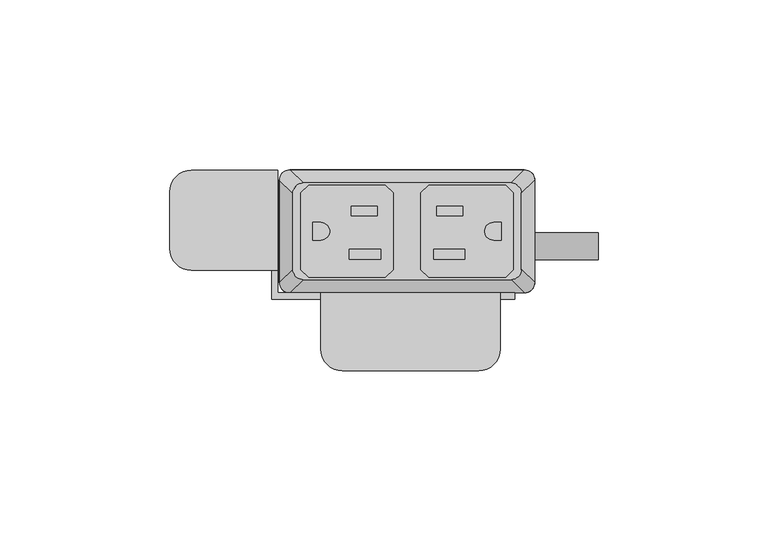
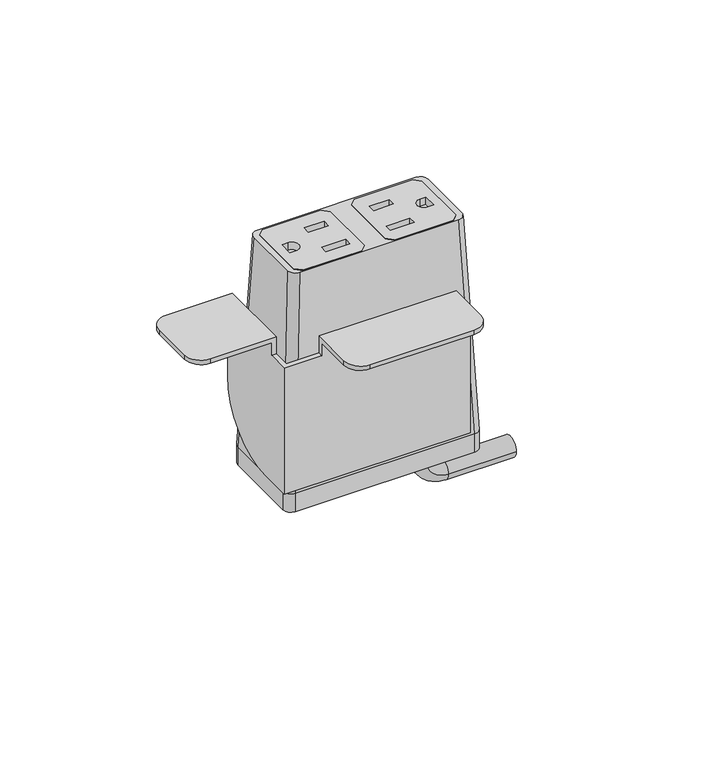
"""IFC4 building model written with IfcOpenShell, lengths in millimetres: furniture geometry."""

from ifc_helpers import new_model, si_unit, point, frame, frame_2d, origin, place, context, project, spatial, polyline, circle_curve, ellipse_curve, trimmed, segment, composite_curve, outline, extrude, source, transform, mapped, element, save
from ifc_brep_helpers import plane_surface, cylinder_surface, revolved_surface, extruded_surface, advanced_brep


def furniture_fb76f5cc(model_context):
    return source(origin(), model_context, "Body", "SolidModel", [
        extrude(outline(polyline([(28.9877496, 31.6867491), (31.2737497, 29.400774), (31.2737497, 6.7950272), (28.9877496, 4.5090526), (6.3817502, 4.5090526), (4.0957501, 6.7950272), (4.0957501, 29.400774), (6.3817502, 31.6867491), (28.9877496, 31.6867491)]), holes=[polyline([(16.3893498, 25.5262103), (8.71855, 25.5262103), (8.71855, 22.6814439), (16.3893498, 22.6814439), (16.3893498, 25.5262103)]), polyline([(17.0497496, 12.7755533), (7.8041498, 12.7755533), (7.8041498, 9.9307858), (17.0497496, 9.9307858), (17.0497496, 12.7755533)]), composite_curve([segment(polyline([(27.7177508, 20.7140722), (25.4427305, 20.7140722)]), True, "CONTINUOUS"), segment(trimmed(circle_curve(frame_2d((25.4427305, 18.0979012)), 2.616171), [point((25.4427305, 20.7140722))], [point((25.4427305, 15.4817301))], True, "CARTESIAN"), True, "CONTINUOUS"), segment(polyline([(25.4427305, 15.4817301), (27.7177508, 15.4817301), (27.7177508, 20.7140722)]), True, "CONTINUOUS")], self_intersect=False)]), frame((0.0, 0.0, 760.5987365), z_axis=(0.0, 0.0, 1.0), x_axis=(1.0, 0.0, 0.0)), (0.0, 0.0, 1.0), 2.9555086),
        extrude(outline(polyline([(-28.9877496, 31.6867491), (-6.3817502, 31.6867491), (-4.0957501, 29.400774), (-4.0957501, 6.7950272), (-6.3817502, 4.5090526), (-28.9877496, 4.5090526), (-31.2737497, 6.7950272), (-31.2737497, 29.400774), (-28.9877496, 31.6867491)]), holes=[polyline([(-16.3893498, 25.5262103), (-16.3893498, 22.6814439), (-8.71855, 22.6814439), (-8.71855, 25.5262103), (-16.3893498, 25.5262103)]), polyline([(-17.0497496, 12.7755533), (-17.0497496, 9.9307858), (-7.8041498, 9.9307858), (-7.8041498, 12.7755533), (-17.0497496, 12.7755533)]), composite_curve([segment(polyline([(-27.7177508, 20.7140722), (-27.7177508, 15.4817301), (-25.4427305, 15.4817301)]), True, "CONTINUOUS"), segment(trimmed(circle_curve(frame_2d((-25.4427305, 18.0979012)), 2.616171), [point((-25.4427305, 15.4817301))], [point((-25.4427305, 20.7140722))], True, "CARTESIAN"), True, "CONTINUOUS"), segment(polyline([(-25.4427305, 20.7140722), (-27.7177508, 20.7140722)]), True, "CONTINUOUS")], self_intersect=False)]), frame((0.0, 0.0, 760.5987365), z_axis=(0.0, 0.0, 1.0), x_axis=(1.0, 0.0, 0.0)), (0.0, 0.0, 1.0), 2.9555086),
        advanced_brep(
        [(-30.6070003, 32.3219007, 763.5410623), (-33.6549997, 29.2739013, 763.5410623), (-33.6549997, 6.9219002, 763.5410623), (-30.6070003, 3.8739008, 763.5410623), (30.6070003, 3.8739008, 763.5410623), (33.6549997, 6.9219002, 763.5410623), (33.6549997, 29.2739013, 763.5410623), (30.6070003, 32.3219007, 763.5410623), (4.0957501, 29.400774, 763.5410623), (6.3817502, 31.6867491, 763.5410623), (28.9877496, 31.6867491, 763.5410623), (31.2737497, 29.400774, 763.5410623), (31.2737497, 6.7950272, 763.5410623), (28.9877496, 4.5090526, 763.5410623), (6.3817502, 4.5090526, 763.5410623), (4.0957501, 6.7950272, 763.5410623), (-4.0957501, 29.400774, 763.5410623), (-4.0957501, 6.7950272, 763.5410623), (-6.3817502, 4.5090526, 763.5410623), (-28.9877496, 4.5090526, 763.5410623), (-31.2737497, 6.7950272, 763.5410623), (-31.2737497, 29.400774, 763.5410623), (-28.9877496, 31.6867491, 763.5410623), (-6.3817502, 31.6867491, 763.5410623), (-34.5440011, 36.1954015, 677.1942434), (34.5440011, 36.1954015, 677.1942434), (37.5920005, 33.1474021, 677.1942434), (37.5920005, 3.0484002, 677.1942434), (34.5440011, 0.0004009, 677.1942434), (-34.5440011, 0.0004009, 677.1942434), (-37.5920005, 3.0484002, 677.1942434), (-37.5920005, 33.1474021, 677.1942434), (4.0957501, 29.400774, 756.3991211), (4.0957501, 6.7950272, 756.3991211), (6.3817502, 4.5090526, 756.3991211), (28.9877496, 4.5090526, 756.3991211), (31.2737497, 6.7950272, 756.3991211), (31.2737497, 29.400774, 756.3991211), (28.9877496, 31.6867491, 756.3991211), (6.3817502, 31.6867491, 756.3991211), (-4.0957501, 29.400774, 756.3991211), (-6.3817502, 31.6867491, 756.3991211), (-28.9877496, 31.6867491, 756.3991211), (-31.2737497, 29.400774, 756.3991211), (-31.2737497, 6.7950272, 756.3991211), (-28.9877496, 4.5090526, 756.3991211), (-6.3817502, 4.5090526, 756.3991211), (-4.0957501, 6.7950272, 756.3991211)],
        [
            (0, 1, circle_curve(frame((-30.6070003, 29.2739013, 763.5410623), z_axis=(0.0, 0.0, 1.0), x_axis=(-1.0, 0.0, 0.0)), 3.0479994)),
            (1, 2),
            (2, 3, circle_curve(frame((-30.6070003, 6.9219002, 763.5410623), z_axis=(0.0, 0.0, 1.0), x_axis=(-1.0, 0.0, 0.0)), 3.0479994)),
            (3, 4),
            (4, 5, circle_curve(frame((30.6070003, 6.9219002, 763.5410623), z_axis=(0.0, 0.0, 1.0), x_axis=(-1.0, 0.0, 0.0)), 3.0479994)),
            (5, 6),
            (6, 7, circle_curve(frame((30.6070003, 29.2739013, 763.5410623), z_axis=(0.0, 0.0, 1.0), x_axis=(-1.0, 0.0, 0.0)), 3.0479994)),
            (7, 0),
            (8, 9),
            (9, 10),
            (10, 11),
            (11, 12),
            (12, 13),
            (13, 14),
            (14, 15),
            (15, 8),
            (16, 17),
            (17, 18),
            (18, 19),
            (19, 20),
            (20, 21),
            (21, 22),
            (22, 23),
            (23, 16),
            (24, 25),
            (25, 26, circle_curve(frame((34.5440011, 33.1474021, 677.1942434), z_axis=(0.0, 0.0, -1.0), x_axis=(-1.0, 0.0, 0.0)), 3.0479994)),
            (26, 27),
            (27, 28, circle_curve(frame((34.5440011, 3.0484002, 677.1942434), z_axis=(0.0, 0.0, -1.0), x_axis=(-1.0, 0.0, 0.0)), 3.0479994)),
            (28, 29),
            (29, 30, circle_curve(frame((-34.5440011, 3.0484002, 677.1942434), z_axis=(0.0, 0.0, -1.0), x_axis=(-1.0, 0.0, 0.0)), 3.0479994)),
            (30, 31),
            (31, 24, circle_curve(frame((-34.5440011, 33.1474021, 677.1942434), z_axis=(0.0, 0.0, -1.0), x_axis=(-1.0, 0.0, 0.0)), 3.0479994)),
            (0, 24),
            (31, 1),
            (30, 2),
            (29, 3),
            (28, 4),
            (27, 5),
            (26, 6),
            (25, 7),
            (32, 33),
            (33, 34),
            (34, 35),
            (35, 36),
            (36, 37),
            (37, 38),
            (38, 39),
            (39, 32),
            (40, 41),
            (41, 42),
            (42, 43),
            (43, 44),
            (44, 45),
            (45, 46),
            (46, 47),
            (47, 40),
            (39, 9),
            (8, 32),
            (38, 10),
            (37, 11),
            (36, 12),
            (35, 13),
            (34, 14),
            (33, 15),
            (47, 17),
            (16, 40),
            (46, 18),
            (45, 19),
            (44, 20),
            (43, 21),
            (42, 22),
            (41, 23),
        ],
        [
            plane_surface(frame((0.0, 18.0979007, 763.5410623), z_axis=(0.0, 0.0, 1.0), x_axis=(-1.0, 0.0, 0.0))),
            plane_surface(frame((0.0, 18.0979012, 677.1942434), z_axis=(0.0, 0.0, -1.0), x_axis=(-1.0, 0.0, 0.0))),
            extruded_surface(trimmed(circle_curve(frame((-34.5440011, 33.1474021, 677.1942434), z_axis=(0.0, 0.0, 1.0), x_axis=(-1.0, 0.0, 0.0)), 3.0479994), [point((-34.5440011, 36.1954015, 677.1942434))], [point((-37.5920005, 33.1474021, 677.1942434))], True, "CARTESIAN"), (3.9370008000000034, -3.873500800000002, 86.34681890000002), 86.52327500676452),
            plane_surface(frame((-37.5920005, 18.0979012, 677.1942434), z_axis=(-0.9989621566211194, 0.0, 0.04554788292425982), x_axis=(0.0, -1.0, 0.0))),
            extruded_surface(trimmed(circle_curve(frame((-34.5440011, 3.0484002, 677.1942434), z_axis=(0.0, 0.0, 1.0), x_axis=(-1.0, 0.0, 0.0)), 3.0479994), [point((-37.5920005, 3.0484002, 677.1942434))], [point((-34.5440011, 0.0004009, 677.1942434))], True, "CARTESIAN"), (3.9370008000000034, 3.8734999999999995, 86.34681890000002), 86.52327497094987),
            plane_surface(frame((0.0, 0.0004009, 677.1942434), z_axis=(0.0, -0.9989953158490498, 0.044814717578687276), x_axis=(1.0, 0.0, 0.0))),
            extruded_surface(trimmed(circle_curve(frame((34.5440011, 3.0484002, 677.1942434), z_axis=(0.0, 0.0, 1.0), x_axis=(-1.0, 0.0, 0.0)), 3.0479994), [point((34.5440011, 0.0004009, 677.1942434))], [point((37.5920005, 3.0484002, 677.1942434))], True, "CARTESIAN"), (-3.9370008000000034, 3.8734999999999995, 86.34681890000002), 86.52327497094987),
            plane_surface(frame((37.5920005, 18.0979012, 677.1942434), z_axis=(0.9989621566211194, 0.0, 0.04554788292425977), x_axis=(0.0, 1.0, 0.0))),
            extruded_surface(trimmed(circle_curve(frame((34.5440011, 33.1474021, 677.1942434), z_axis=(0.0, 0.0, 1.0), x_axis=(-1.0, 0.0, 0.0)), 3.0479994), [point((37.5920005, 33.1474021, 677.1942434))], [point((34.5440011, 36.1954015, 677.1942434))], True, "CARTESIAN"), (-3.9370008000000034, -3.873500800000002, 86.34681890000002), 86.52327500676452),
            plane_surface(frame((0.0, 36.1954015, 677.1942434), z_axis=(0.0, 0.9989953153818162, 0.04481472799410512), x_axis=(-1.0, 0.0, 0.0))),
            plane_surface(frame((4.0957501, 29.400774, 756.3991211), z_axis=(0.0, 0.0, 1.0), x_axis=(0.707110644658062, 0.7071029176939239, 0.0))),
            plane_surface(frame((4.0957501, 29.400774, 756.3991211), z_axis=(0.7071029176939239, -0.707110644658062, 0.0), x_axis=(0.0, 0.0, 1.0))),
            plane_surface(frame((6.3817502, 31.6867491, 756.3991211), z_axis=(0.0, -1.0, 0.0), x_axis=(0.0, 0.0, 1.0))),
            plane_surface(frame((28.9877496, 31.6867491, 756.3991211), z_axis=(-0.7071029176939239, -0.707110644658062, 0.0), x_axis=(0.0, 0.0, 1.0))),
            plane_surface(frame((31.2737497, 29.400774, 756.3991211), z_axis=(-1.0, 0.0, 0.0), x_axis=(0.0, 0.0, 1.0))),
            plane_surface(frame((31.2737497, 6.7950272, 756.3991211), z_axis=(-0.7071028298865373, 0.7071107324644781, 0.0), x_axis=(0.0, 0.0, 1.0))),
            plane_surface(frame((28.9877496, 4.5090526, 756.3991211), z_axis=(0.0, 1.0, 0.0), x_axis=(0.0, 0.0, 1.0))),
            plane_surface(frame((6.3817502, 4.5090526, 756.3991211), z_axis=(0.7071028298865373, 0.7071107324644781, 0.0), x_axis=(0.0, 0.0, 1.0))),
            plane_surface(frame((4.0957501, 6.7950272, 756.3991211), z_axis=(1.0, 0.0, 0.0), x_axis=(0.0, 0.0, 1.0))),
            plane_surface(frame((-4.0957501, 29.400774, 756.3991211), z_axis=(-1.0, 0.0, 0.0), x_axis=(0.0, 0.0, 1.0))),
            plane_surface(frame((-4.0957501, 6.7950272, 756.3991211), z_axis=(-0.7071028298865389, 0.7071107324644764, 0.0), x_axis=(0.0, 0.0, 1.0))),
            plane_surface(frame((-6.3817502, 4.5090526, 756.3991211), z_axis=(0.0, 1.0, 0.0), x_axis=(0.0, 0.0, 1.0))),
            plane_surface(frame((-28.9877496, 4.5090526, 756.3991211), z_axis=(0.707102829886537, 0.7071107324644784, 0.0), x_axis=(0.0, 0.0, 1.0))),
            plane_surface(frame((-31.2737497, 6.7950272, 756.3991211), z_axis=(1.0, 0.0, 0.0), x_axis=(0.0, 0.0, 1.0))),
            plane_surface(frame((-31.2737497, 29.400774, 756.3991211), z_axis=(0.7071029176940063, -0.7071106446579796, 0.0), x_axis=(0.0, 0.0, 1.0))),
            plane_surface(frame((-28.9877496, 31.6867491, 756.3991211), z_axis=(0.0, -1.0, 0.0), x_axis=(0.0, 0.0, 1.0))),
            plane_surface(frame((-6.3817502, 31.6867491, 756.3991211), z_axis=(-0.7071029176940076, -0.7071106446579782, 0.0), x_axis=(0.0, 0.0, 1.0))),
        ],
        [
            (0, [[1, 2, 3, 4, 5, 6, 7, 8], [9, 10, 11, 12, 13, 14, 15, 16], [17, 18, 19, 20, 21, 22, 23, 24]]),
            (1, [[25, 26, 27, 28, 29, 30, 31, 32]]),
            (2, [[-1, 33, -32, 34]]),
            (3, [[-2, -34, -31, 35]]),
            (4, [[-3, -35, -30, 36]]),
            (5, [[-4, -36, -29, 37]]),
            (6, [[-5, -37, -28, 38]]),
            (7, [[-6, -38, -27, 39]]),
            (8, [[-7, -39, -26, 40]]),
            (9, [[-8, -40, -25, -33]]),
            (10, [[41, 42, 43, 44, 45, 46, 47, 48]]),
            (10, [[49, 50, 51, 52, 53, 54, 55, 56]]),
            (11, [[-48, 57, -9, 58]]),
            (12, [[-47, 59, -10, -57]]),
            (13, [[-46, 60, -11, -59]]),
            (14, [[-45, 61, -12, -60]]),
            (15, [[-44, 62, -13, -61]]),
            (16, [[-43, 63, -14, -62]]),
            (17, [[-42, 64, -15, -63]]),
            (18, [[-41, -58, -16, -64]]),
            (19, [[-56, 65, -17, 66]]),
            (20, [[-55, 67, -18, -65]]),
            (21, [[-54, 68, -19, -67]]),
            (22, [[-53, 69, -20, -68]]),
            (23, [[-52, 70, -21, -69]]),
            (24, [[-51, 71, -22, -70]]),
            (25, [[-50, 72, -23, -71]]),
            (26, [[-49, -66, -24, -72]]),
        ],
    ),
        advanced_brep(
        [(21.5715504, 17.7128311, 669.7200348), (21.5715504, 9.7137856, 669.7200348), (21.5715504, 17.7128311, 664.8902821), (21.5715504, 9.7137856, 664.8902821), (30.0384415, 9.7137856, 656.423391), (30.0384415, 17.7128311, 656.423391), (56.2588798, 17.7128311, 656.423391), (56.2588798, 9.7137856, 656.423391)],
        [
            (0, 1, circle_curve(frame((21.5715504, 13.7133083, 669.7200348), z_axis=(0.0, 0.0, 1.0), x_axis=(0.0, -1.0, 0.0)), 3.9995228)),
            (1, 0, circle_curve(frame((21.5715504, 13.7133083, 669.7200348), z_axis=(0.0, 0.0, 1.0), x_axis=(0.0, -1.0, 0.0)), 3.9995228)),
            (0, 2),
            (2, 3, circle_curve(frame((21.5715504, 13.7133083, 664.8902821), z_axis=(0.0, 0.0, 1.0), x_axis=(0.0, -1.0, 0.0)), 3.9995228)),
            (3, 1),
            (3, 2, circle_curve(frame((21.5715504, 13.7133083, 664.8902821), z_axis=(0.0, 0.0, 1.0), x_axis=(0.0, -1.0, 0.0)), 3.9995228)),
            (4, 3, circle_curve(frame((30.0384415, 9.7137856, 664.8902821), z_axis=(0.0, 1.0, 0.0), x_axis=(-1.0, 0.0, 0.0)), 8.4668911)),
            (2, 5, circle_curve(frame((30.0384415, 17.7128311, 664.8902821), z_axis=(0.0, -1.0, 0.0), x_axis=(-1.0, 0.0, 0.0)), 8.4668911)),
            (5, 4, circle_curve(frame((30.0384415, 13.7133083, 656.423391), z_axis=(-1.0, 0.0, 0.0), x_axis=(0.0, -1.0, 0.0)), 3.9995228)),
            (4, 5, circle_curve(frame((30.0384415, 13.7133083, 656.423391), z_axis=(-1.0, 0.0, 0.0), x_axis=(0.0, -1.0, 0.0)), 3.9995228)),
            (6, 7, circle_curve(frame((56.2588798, 13.7133083, 656.423391), z_axis=(1.0, 0.0, 0.0), x_axis=(0.0, -1.0, 0.0)), 3.9995228)),
            (7, 6, circle_curve(frame((56.2588798, 13.7133083, 656.423391), z_axis=(1.0, 0.0, 0.0), x_axis=(0.0, -1.0, 0.0)), 3.9995228)),
            (5, 6),
            (7, 4),
        ],
        [
            plane_surface(frame((21.5715504, 0.0, 669.7200348), z_axis=(0.0, 0.0, 1.0), x_axis=(0.0, -1.0, 0.0))),
            cylinder_surface(frame((21.5715504, 13.7133083, 669.7200348), z_axis=(0.0, 0.0, 1.0), x_axis=(0.0, -1.0, 0.0)), 3.9995228),
            revolved_surface(trimmed(ellipse_curve(frame((21.5715504, 13.7133083, 664.8902821), z_axis=(0.0, 0.0, 1.0), x_axis=(0.0, -1.0, 0.0)), 3.9995228, 3.9995228), [point((21.5715504, 17.7128311, 664.8902821))], [point((21.5715504, 9.7137856, 664.8902821))], True, "CARTESIAN"), (30.0384415, 0.0, 664.8902821), (0.0, -1.0, 0.0)),
            revolved_surface(trimmed(ellipse_curve(frame((21.5715504, 13.7133083, 664.8902821), z_axis=(0.0, 0.0, 1.0), x_axis=(0.0, -1.0, 0.0)), 3.9995228, 3.9995228), [point((21.5715504, 9.7137856, 664.8902821))], [point((21.5715504, 17.7128311, 664.8902821))], True, "CARTESIAN"), (30.0384415, 0.0, 664.8902821), (0.0, -1.0, 0.0)),
            plane_surface(frame((56.2588798, 0.0, 656.423391), z_axis=(1.0, 0.0, 0.0), x_axis=(0.0, -1.0, 0.0))),
            cylinder_surface(frame((30.0384415, 13.7133083, 656.423391), z_axis=(-1.0, 0.0, 0.0), x_axis=(0.0, -1.0, 0.0)), 3.9995228),
        ],
        [
            (0, [[1, 2]]),
            (1, [[-1, 3, 4, 5]]),
            (1, [[-2, -5, 6, -3]]),
            (2, [[7, -4, 8, 9]]),
            (3, [[-8, -6, -7, 10]]),
            (4, [[11, 12]]),
            (5, [[-9, 13, -12, 14]]),
            (5, [[-10, -14, -11, -13]]),
        ],
    ),
        extrude(outline(composite_curve([segment(trimmed(circle_curve(frame_2d((34.5440011, 33.1474021)), 3.0479994), [point((34.5440011, 36.1954015))], [point((37.5920005, 33.1474021))], False, "CARTESIAN"), True, "CONTINUOUS"), segment(polyline([(37.5920005, 33.1474021), (37.5920005, 3.0484002)]), True, "CONTINUOUS"), segment(trimmed(circle_curve(frame_2d((34.5440011, 3.0484002)), 3.0479994), [point((37.5920005, 3.0484002))], [point((34.5440011, 0.0004009))], False, "CARTESIAN"), True, "CONTINUOUS"), segment(polyline([(34.5440011, 0.0004009), (-34.5440011, 0.0004009)]), True, "CONTINUOUS"), segment(trimmed(circle_curve(frame_2d((-34.5440011, 3.0484002)), 3.0479994), [point((-34.5440011, 0.0004009))], [point((-37.5920005, 3.0484002))], False, "CARTESIAN"), True, "CONTINUOUS"), segment(polyline([(-37.5920005, 3.0484002), (-37.5920005, 33.1474021)]), True, "CONTINUOUS"), segment(trimmed(circle_curve(frame_2d((-34.5440011, 33.1474021)), 3.0479994), [point((-37.5920005, 33.1474021))], [point((-34.5440011, 36.1954015))], False, "CARTESIAN"), True, "CONTINUOUS"), segment(polyline([(-34.5440011, 36.1954015), (34.5440011, 36.1954015)]), True, "CONTINUOUS")], self_intersect=False)), frame((0.0, 0.0, 669.7200348), z_axis=(0.0, 0.0, 1.0), x_axis=(1.0, 0.0, 0.0)), (0.0, 0.0, 1.0), 7.4742086),
        advanced_brep(
        [(-63.4998651, 6.6265515, 736.346), (-69.8498653, 12.9765517, 736.346), (-69.8498653, 29.7151512, 736.346), (-63.4998645, 36.0651519, 736.346), (-39.877862, 36.0651519, 736.346), (-39.877862, 6.6265515, 736.346), (27.4321373, -16.6144474, 736.346), (21.0821366, -22.9644481, 736.346), (-19.0498626, -22.9644481, 736.346), (-25.3998622, -16.6144485, 736.346), (-25.3998622, -1.9078486, 736.346), (27.4321373, -1.9078486, 736.346), (-63.4998645, 36.0651519, 738.124), (-69.8498653, 29.7151512, 738.124), (-69.8498653, 12.9765517, 738.124), (-63.4998651, 6.6265515, 738.124), (-38.0998637, 6.6265515, 738.124), (-38.0998637, 36.0651519, 738.124), (-25.3998622, 0.0, 738.124), (-25.3998622, -16.6144485, 738.124), (-19.0498626, -22.9644481, 738.124), (21.0821366, -22.9644481, 738.124), (27.4321373, -16.6144474, 738.124), (27.4321373, 0.0, 738.124), (-38.0998637, 36.0651519, 705.1039997), (-39.877862, 36.0651519, 705.1039997), (-39.877862, 6.6265515, 731.2659997), (-38.0998637, 6.6265515, 731.2659997), (-38.0998637, 0.0, 731.2659997), (-38.0998637, 0.0, 679.7040012), (-38.0998637, 10.6651534, 679.7040012), (27.4321373, -1.9078486, 731.2659997), (27.4321373, 0.0, 731.2659997), (31.7501378, 0.0, 731.2659997), (31.7501378, 0.0, 679.7040012), (-25.3998622, 0.0, 731.2659997), (-25.3998622, -1.9078486, 731.2659997), (-39.877862, 10.6651534, 679.7040012), (-39.877862, -1.9078486, 679.7040012), (-39.877862, -1.9078486, 731.2659997), (31.7501378, -1.9078486, 679.7040012), (31.7501378, -1.9078486, 731.2659997)],
        [
            (0, 1, circle_curve(frame((-63.4998651, 12.9765517, 736.346), z_axis=(0.0, 0.0, -1.0), x_axis=(-1.0, 0.0, 0.0)), 6.3500002)),
            (1, 2),
            (2, 3, circle_curve(frame((-63.4998645, 29.7151512, 736.346), z_axis=(0.0, 0.0, -1.0), x_axis=(-1.0, 0.0, 0.0)), 6.3500008)),
            (3, 4),
            (4, 5),
            (5, 0),
            (6, 7, circle_curve(frame((21.0821366, -16.6144474, 736.346), z_axis=(0.0, 0.0, -1.0), x_axis=(-1.0, 0.0, 0.0)), 6.3500008)),
            (7, 8),
            (8, 9, circle_curve(frame((-19.0498626, -16.6144485, 736.346), z_axis=(0.0, 0.0, -1.0), x_axis=(-1.0, 0.0, 0.0)), 6.3499996)),
            (9, 10),
            (10, 11),
            (11, 6),
            (12, 13, circle_curve(frame((-63.4998645, 29.7151512, 738.124), z_axis=(0.0, 0.0, 1.0), x_axis=(-1.0, 0.0, 0.0)), 6.3500008)),
            (13, 14),
            (14, 15, circle_curve(frame((-63.4998651, 12.9765517, 738.124), z_axis=(0.0, 0.0, 1.0), x_axis=(-1.0, 0.0, 0.0)), 6.3500002)),
            (15, 16),
            (16, 17),
            (17, 12),
            (18, 19),
            (19, 20, circle_curve(frame((-19.0498626, -16.6144485, 738.124), z_axis=(0.0, 0.0, 1.0), x_axis=(-1.0, 0.0, 0.0)), 6.3499996)),
            (20, 21),
            (21, 22, circle_curve(frame((21.0821366, -16.6144474, 738.124), z_axis=(0.0, 0.0, 1.0), x_axis=(-1.0, 0.0, 0.0)), 6.3500008)),
            (22, 23),
            (23, 18),
            (3, 12),
            (17, 24),
            (24, 25),
            (25, 4),
            (2, 13),
            (1, 14),
            (0, 15),
            (5, 26),
            (26, 27),
            (27, 16),
            (27, 28),
            (28, 29),
            (29, 30),
            (30, 24, circle_curve(frame((-38.0998637, 10.6651534, 705.1039997), z_axis=(1.0, 0.0, 0.0), x_axis=(0.0, -1.0, 0.0)), 25.3999985)),
            (8, 20),
            (19, 9),
            (7, 21),
            (6, 22),
            (11, 31),
            (31, 32),
            (32, 23),
            (32, 33),
            (33, 34),
            (34, 29),
            (28, 35),
            (35, 18),
            (35, 36),
            (36, 10),
            (25, 37, circle_curve(frame((-39.877862, 10.6651534, 705.1039997), z_axis=(-1.0, 0.0, 0.0), x_axis=(0.0, -1.0, 0.0)), 25.3999985)),
            (37, 38),
            (38, 39),
            (39, 26),
            (30, 37),
            (34, 40),
            (40, 38),
            (40, 41),
            (41, 31),
            (36, 39),
            (41, 33),
        ],
        [
            plane_surface(frame((-63.4998645, 36.0651519, 736.346), z_axis=(0.0, 0.0, -1.0), x_axis=(1.0, 0.0, 0.0))),
            plane_surface(frame((-63.4998645, 36.0651519, 738.124), z_axis=(0.0, 0.0, 1.0), x_axis=(-1.0, 0.0, 0.0))),
            plane_surface(frame((-38.0998637, 36.0651519, 738.124), z_axis=(0.0, 1.0, 0.0), x_axis=(0.0, 0.0, -1.0))),
            cylinder_surface(frame((-63.4998645, 29.7151512, 736.346), z_axis=(0.0, 0.0, 1.0), x_axis=(-1.0, 0.0, 0.0)), 6.3500008),
            plane_surface(frame((-69.8498653, 29.7151512, 738.124), z_axis=(-1.0, 0.0, 0.0), x_axis=(0.0, 0.0, -1.0))),
            cylinder_surface(frame((-63.4998651, 12.9765517, 736.346), z_axis=(0.0, 0.0, 1.0), x_axis=(-1.0, 0.0, 0.0)), 6.3500002),
            plane_surface(frame((-63.4998651, 6.6265515, 738.124), z_axis=(0.0, -1.0, 0.0), x_axis=(0.0, 0.0, -1.0))),
            plane_surface(frame((-38.0998637, 6.6265515, 738.124), z_axis=(1.0, 0.0, 0.0), x_axis=(0.0, 0.0, -1.0))),
            cylinder_surface(frame((-19.0498626, -16.6144485, 738.124), z_axis=(0.0, 0.0, 1.0), x_axis=(-1.0, 0.0, 0.0)), 6.3499996),
            plane_surface(frame((-19.0498626, -22.9644481, 738.124), z_axis=(0.0, -1.0, 0.0), x_axis=(0.0, 0.0, -1.0))),
            cylinder_surface(frame((21.0821366, -16.6144474, 738.124), z_axis=(0.0, 0.0, 1.0), x_axis=(-1.0, 0.0, 0.0)), 6.3500008),
            plane_surface(frame((27.4321373, -16.6144474, 738.124), z_axis=(1.0, 0.0, 0.0), x_axis=(0.0, 0.0, -1.0))),
            plane_surface(frame((27.4321373, 0.0, 738.124), z_axis=(0.0, 1.0, 0.0), x_axis=(0.0, 0.0, -1.0))),
            plane_surface(frame((-25.3998622, 0.0, 738.124), z_axis=(-1.0, 0.0, 0.0), x_axis=(0.0, 0.0, -1.0))),
            plane_surface(frame((-39.877862, 36.0651519, 705.1039997), z_axis=(-1.0, 0.0, 0.0), x_axis=(0.0, 0.0, -1.0))),
            cylinder_surface(frame((-38.0998637, 10.6651534, 705.1039997), z_axis=(-1.0, 0.0, 0.0), x_axis=(0.0, -1.0, 0.0)), 25.3999985),
            plane_surface(frame((-39.877862, 10.6651534, 679.7040012), z_axis=(0.0, 0.0, -1.0), x_axis=(1.0, 0.0, 0.0))),
            plane_surface(frame((-39.877862, -1.9078486, 679.7040012), z_axis=(0.0, -1.0, 0.0), x_axis=(1.0, 0.0, 0.0))),
            plane_surface(frame((-39.877862, -1.9078486, 731.2659997), z_axis=(0.0, 0.0, 1.0), x_axis=(1.0, 0.0, 0.0))),
            plane_surface(frame((31.7501378, -1.9078486, 731.2659997), z_axis=(0.0, 0.0, 1.0), x_axis=(0.0, 1.0, 0.0))),
            plane_surface(frame((31.7501378, -1.9078486, 679.7040012), z_axis=(1.0, 0.0, 0.0), x_axis=(0.0, 1.0, 0.0))),
        ],
        [
            (0, [[1, 2, 3, 4, 5, 6]]),
            (0, [[7, 8, 9, 10, 11, 12]]),
            (1, [[13, 14, 15, 16, 17, 18]]),
            (1, [[19, 20, 21, 22, 23, 24]]),
            (2, [[25, -18, 26, 27, 28, -4]]),
            (3, [[-3, 29, -13, -25]]),
            (4, [[-2, 30, -14, -29]]),
            (5, [[-1, 31, -15, -30]]),
            (6, [[-31, -6, 32, 33, 34, -16]]),
            (7, [[-17, -34, 35, 36, 37, 38, -26]]),
            (8, [[-9, 39, -20, 40]]),
            (9, [[-8, 41, -21, -39]]),
            (10, [[-7, 42, -22, -41]]),
            (11, [[-42, -12, 43, 44, 45, -23]]),
            (12, [[-24, -45, 46, 47, 48, -36, 49, 50]]),
            (13, [[-40, -19, -50, 51, 52, -10]]),
            (14, [[53, 54, 55, 56, -32, -5, -28]]),
            (15, [[-53, -27, -38, 57]]),
            (16, [[-57, -37, -48, 58, 59, -54]]),
            (17, [[-55, -59, 60, 61, -43, -11, -52, 62]]),
            (18, [[-62, -51, -49, -35, -33, -56]]),
            (19, [[-61, 63, -46, -44]]),
            (20, [[-60, -58, -47, -63]]),
        ],
    ),
    ])


if __name__ == "__main__":
    model = new_model("IFC4")
    model_context = context("Model", 3, world=origin())
    ifc_project = project(units=[si_unit("LENGTHUNIT", "METRE", prefix="MILLI")], contexts=[model_context])
    site = spatial("IfcSite", under=ifc_project)
    building = spatial("IfcBuilding", under=site)
    placement = place(None, origin())
    furniture_shape = furniture_fb76f5cc(model_context)
    element("IfcFurniture", 1, at=placement, inside=building, context=model_context, shape_type="MappedRepresentation", body=[
        mapped(furniture_shape, transform((0.0, 0.0, 0.0), x_axis=(1.0, 0.0, 0.0), y_axis=(0.0, 1.0, 0.0), z_axis=(0.0, 0.0, 1.0))),
    ])
    save(model, "model.ifc")
